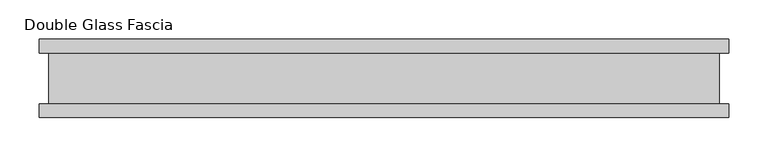
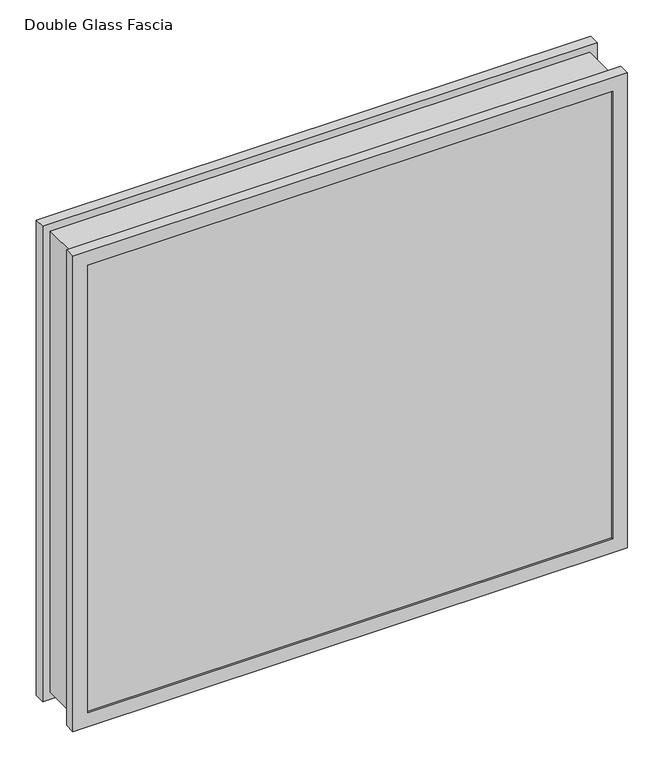
"""IFC4 building model written with IfcOpenShell, lengths in millimetres: proxy geometry, Double Glass Fascia."""

from ifc_helpers import new_model, si_unit, frame, origin, place, context, project, spatial, polyline, outline, extrude, faceted_brep, source, transform, mapped, element, save


def double_glass_fascia_99d539ca(model_context):
    return source(origin(), model_context, "Body", "SolidModel", [
        faceted_brep([(427.2676746, 32.4352299, 787.400885), (427.2676746, -32.4352299, 787.400885), (427.2676746, -32.4352299, 15.0359151), (427.2676746, 32.4352299, 15.0359151), (-427.2676746, -32.4352299, 15.0359151), (-427.2676746, 32.4352299, 15.0359151), (-427.2676746, -32.4352299, 787.400885), (-427.2676746, 32.4352299, 787.400885), (416.0907897, -38.8962152, 776.2240001), (416.0907897, 38.8962152, 776.2240001), (416.0907897, 38.8962152, 26.2128), (416.0907897, -38.8962152, 26.2128), (432.8254289, -47.1322551, 792.9586393), (432.8254289, -38.8962152, 792.9586393), (432.8254289, -38.8962152, 9.4781608), (432.8254289, -47.1322551, 9.4781608), (415.9129897, -50.0558594, 776.0462001), (415.9129897, -47.1322551, 776.0462001), (415.9129897, -47.1322551, 26.3906), (415.9129897, -50.0558594, 26.3906), (439.1285897, -32.4352299, 799.2618001), (439.1285897, -50.0558594, 799.2618001), (439.1285897, -50.0558594, 3.175), (439.1285897, -32.4352299, 3.175), (-416.0907897, 38.8962152, 26.2128), (-416.0907897, -38.8962152, 26.2128), (-432.8254289, -38.8962152, 9.4781608), (-432.8254289, -47.1322551, 9.4781608), (-415.9129897, -47.1322551, 26.3906), (-415.9129897, -50.0558594, 26.3906), (-439.1285897, -50.0558594, 3.175), (-439.1285897, -32.4352299, 3.175), (-416.0907897, 38.8962152, 776.2240001), (-416.0907897, -38.8962152, 776.2240001), (-432.8254289, -38.8962152, 792.9586393), (-432.8254289, -47.1322551, 792.9586393), (-415.9129897, -47.1322551, 776.0462001), (-415.9129897, -50.0558594, 776.0462001), (-439.1285897, -50.0558594, 799.2618001), (-439.1285897, -32.4352299, 799.2618001), (439.1285897, 50.0558594, 799.2618001), (439.1285897, 32.4352299, 799.2618001), (439.1285897, 32.4352299, 3.175), (439.1285897, 50.0558594, 3.175), (416.0907897, 47.1322551, 776.2240001), (416.0907897, 50.0558594, 776.2240001), (416.0907897, 50.0558594, 26.2128), (416.0907897, 47.1322551, 26.2128), (432.8254289, 38.8962152, 792.9586393), (432.8254289, 47.1322551, 792.9586393), (432.8254289, 47.1322551, 9.4781608), (432.8254289, 38.8962152, 9.4781608), (-439.1285897, 32.4352299, 3.175), (-439.1285897, 50.0558594, 3.175), (-416.0907897, 50.0558594, 26.2128), (-416.0907897, 47.1322551, 26.2128), (-432.8254289, 47.1322551, 9.4781608), (-432.8254289, 38.8962152, 9.4781608), (-439.1285897, 32.4352299, 799.2618001), (-439.1285897, 50.0558594, 799.2618001), (-416.0907897, 50.0558594, 776.2240001), (-416.0907897, 47.1322551, 776.2240001), (-432.8254289, 47.1322551, 792.9586393), (-432.8254289, 38.8962152, 792.9586393)], [[[0, 1, 2, 3]], [[3, 2, 4, 5]], [[5, 4, 6, 7]], [[7, 6, 1, 0]], [[8, 9, 10, 11]], [[12, 13, 14, 15]], [[16, 17, 18, 19]], [[20, 21, 22, 23]], [[11, 10, 24, 25]], [[15, 14, 26, 27]], [[19, 18, 28, 29]], [[23, 22, 30, 31]], [[25, 24, 32, 33]], [[27, 26, 34, 35]], [[29, 28, 36, 37]], [[31, 30, 38, 39]], [[33, 32, 9, 8]], [[13, 34, 26, 14], [11, 25, 33, 8]], [[35, 34, 13, 12]], [[15, 27, 35, 12], [17, 36, 28, 18]], [[37, 36, 17, 16]], [[21, 38, 30, 22], [19, 29, 37, 16]], [[39, 38, 21, 20]], [[23, 31, 39, 20], [1, 6, 4, 2]], [[40, 41, 42, 43]], [[44, 45, 46, 47]], [[48, 49, 50, 51]], [[43, 42, 52, 53]], [[47, 46, 54, 55]], [[51, 50, 56, 57]], [[53, 52, 58, 59]], [[55, 54, 60, 61]], [[57, 56, 62, 63]], [[41, 58, 52, 42], [3, 5, 7, 0]], [[59, 58, 41, 40]], [[43, 53, 59, 40], [45, 60, 54, 46]], [[61, 60, 45, 44]], [[49, 62, 56, 50], [47, 55, 61, 44]], [[63, 62, 49, 48]], [[51, 57, 63, 48], [9, 32, 24, 10]]]),
        extrude(outline(polyline([(428.3035898, -40.9277344), (428.3035898, -46.8808594), (-428.3035898, -46.8808594), (-428.3035898, -40.9277344), (428.3035898, -40.9277344)])), frame((0.0, 0.0, 5.3275263), z_axis=(0.0, 0.0, 1.0), x_axis=(1.0, 0.0, 0.0)), (0.0, 0.0, 1.0), 791.2877281),
        extrude(outline(polyline([(428.3035898, 41.1791301), (-428.3035898, 41.1791301), (-428.3035898, 47.1322551), (428.3035898, 47.1322551), (428.3035898, 41.1791301)])), frame((0.0, 0.0, 5.3275263), z_axis=(0.0, 0.0, 1.0), x_axis=(1.0, 0.0, 0.0)), (0.0, 0.0, 1.0), 791.2877281),
    ])


if __name__ == "__main__":
    model = new_model("IFC4")
    model_context = context("Model", 3, world=origin())
    ifc_project = project(units=[si_unit("LENGTHUNIT", "METRE", prefix="MILLI")], contexts=[model_context])
    site = spatial("IfcSite", under=ifc_project)
    building = spatial("IfcBuilding", under=site)
    placement = place(None, origin())
    double_glass_fascia_shape = double_glass_fascia_99d539ca(model_context)
    element("IfcBuildingElementProxy", 1, Name="Double Glass Fascia", ObjectType="Double Glass Fascia", at=placement, inside=building, context=model_context, shape_type="MappedRepresentation", body=[
        mapped(double_glass_fascia_shape, transform((0.0, 0.0, 0.0), x_axis=(1.0, 0.0, 0.0), y_axis=(0.0, 1.0, 0.0), z_axis=(0.0, 0.0, 1.0))),
    ])
    save(model, "model.ifc")
